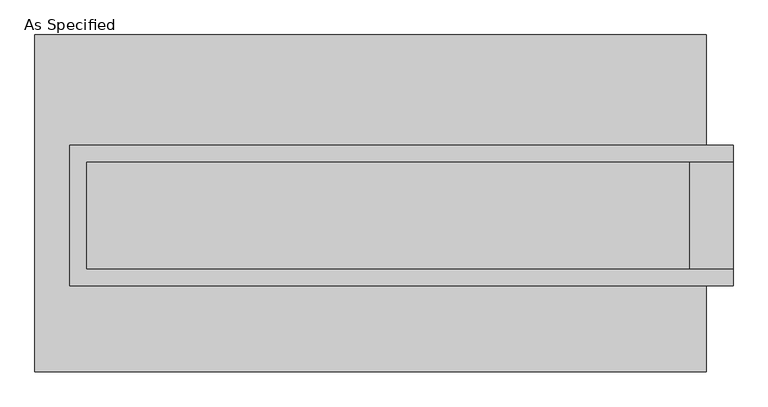
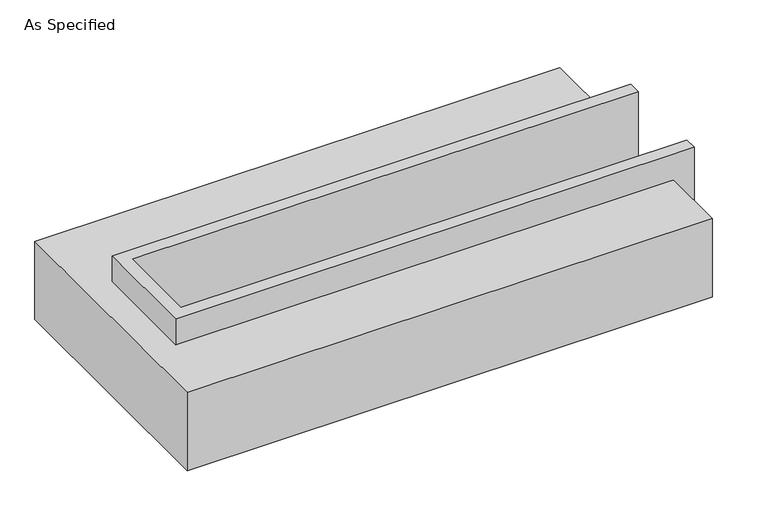
"""IFC4 building model written with IfcOpenShell, lengths in millimetres: proxy geometry, As Specified."""

from ifc_helpers import new_model, si_unit, origin, place, context, project, spatial, faceted_brep, source, transform, mapped, element, save


def as_specified_35eb934f(model_context):
    return source(origin(), model_context, "Body", "Brep", [
        faceted_brep([(-1416.05, 273.05, 139.7), (-1416.05, 273.05, -393.7), (-1416.05, 196.85, -393.7), (-1416.05, 196.85, -25.4), (-1416.05, -311.15, -25.4), (-1416.05, -311.15, -393.7), (-1416.05, -387.35, -393.7), (-1416.05, -387.35, 139.7), (1708.15, 196.85, 139.7), (1708.15, 196.85, -317.5), (1708.15, -311.15, -317.5), (1708.15, -311.15, 139.7), (1708.15, -387.35, 139.7), (1708.15, -387.35, -393.7), (1708.15, 273.05, -393.7), (1708.15, 273.05, 139.7), (-1339.85, -311.15, 139.7), (-1339.85, 196.85, 139.7), (1504.95, -311.15, -393.7), (1504.95, 196.85, -393.7), (1504.95, -311.15, -317.5), (-1339.85, -311.15, -25.4), (1504.95, 196.85, -317.5), (-1339.85, 196.85, -25.4)], [[[0, 1, 2, 3, 4, 5, 6, 7]], [[8, 9, 10, 11, 12, 13, 14, 15]], [[0, 7, 12, 11, 16, 17, 8, 15]], [[1, 0, 15, 14]], [[14, 13, 6, 5, 18, 19, 2, 1]], [[7, 6, 13, 12]], [[11, 10, 20, 18, 5, 4, 21, 16]], [[10, 9, 22, 20]], [[9, 8, 17, 23, 3, 2, 19, 22]], [[18, 20, 22, 19]], [[23, 21, 4, 3]], [[17, 16, 21, 23]]]),
        faceted_brep([(-1581.15, 793.75, -523.9742188), (1581.15, 793.75, -523.9742188), (1581.15, -793.75, -523.9742188), (-1581.15, -793.75, -523.9742188), (1581.15, 793.75, -25.4), (-1581.15, 793.75, -25.4), (-1581.15, -793.75, -25.4), (1581.15, -793.75, -25.4), (1581.15, -387.35, -25.4), (-1416.05, -387.35, -25.4), (-1416.05, 273.05, -25.4), (1581.15, 273.05, -25.4), (1581.15, 273.05, -393.7), (1581.15, -387.35, -393.7), (-1416.05, -387.35, -393.7), (-1416.05, 273.05, -393.7)], [[[0, 1, 2, 3]], [[4, 5, 6, 7, 8, 9, 10, 11]], [[1, 0, 5, 4]], [[5, 0, 3, 6]], [[1, 4, 11, 12, 13, 8, 7, 2]], [[3, 2, 7, 6]], [[14, 15, 10, 9]], [[10, 15, 12, 11]], [[15, 14, 13, 12]], [[14, 9, 8, 13]]]),
    ])


if __name__ == "__main__":
    model = new_model("IFC4")
    model_context = context("Model", 3, world=origin())
    ifc_project = project(units=[si_unit("LENGTHUNIT", "METRE", prefix="MILLI")], contexts=[model_context])
    site = spatial("IfcSite", under=ifc_project)
    building = spatial("IfcBuilding", under=site)
    placement = place(None, origin())
    as_specified_shape = as_specified_35eb934f(model_context)
    element("IfcBuildingElementProxy", 1, Name="As Specified", ObjectType="As Specified", at=placement, inside=building, context=model_context, shape_type="MappedRepresentation", body=[
        mapped(as_specified_shape, transform((0.0, 0.0, 0.0), x_axis=(1.0, 0.0, 0.0), y_axis=(0.0, 1.0, 0.0), z_axis=(0.0, 0.0, 1.0))),
    ])
    save(model, "model.ifc")
